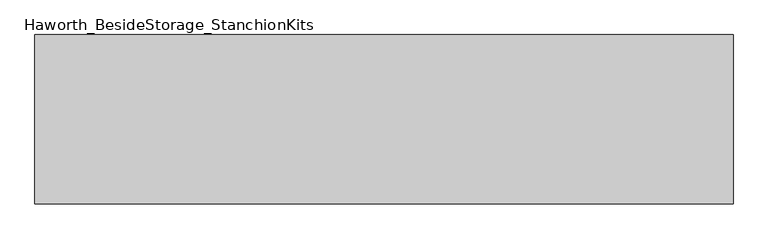
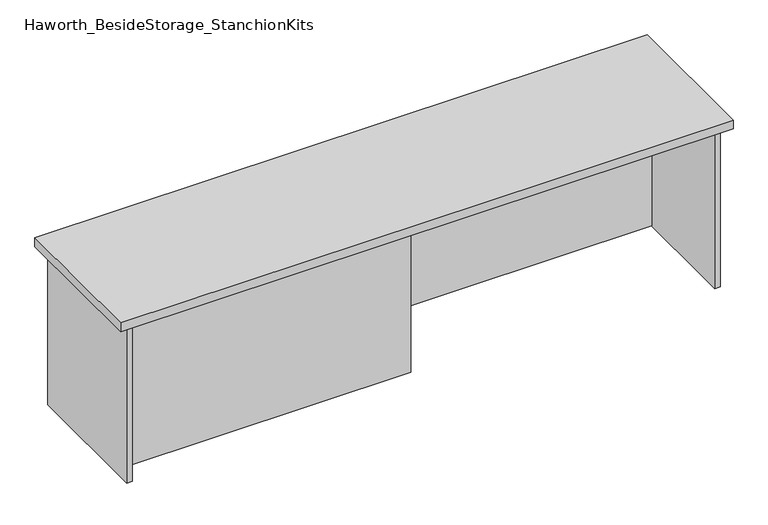
"""IFC4 building model written with IfcOpenShell, lengths in millimetres: furniture geometry, Haworth_BesideStorage_StanchionKits."""

from ifc_helpers import new_model, si_unit, frame, origin, place, context, project, spatial, polyline, outline, extrude, source, transform, mapped, element, save


def haworth_besidestorage_stanchionkits_c902f7cd(model_context):
    return source(origin(), model_context, "Body", "SweptSolid", [
        extrude(outline(polyline([(1000.125, 0.0), (1000.125, -406.4), (-676.275, -406.4), (-676.275, 0.0), (1000.125, 0.0)])), frame((0.0, 0.0, 889.0), z_axis=(0.0, 0.0, 1.0), x_axis=(1.0, 0.0, 0.0)), (0.0, 0.0, 1.0), 25.4),
        extrude(outline(polyline([(161.925, -76.2), (958.85, -76.2), (958.85, -92.075), (161.925, -92.075), (161.925, -76.2)])), frame((0.0, 0.0, 431.8), z_axis=(0.0, 0.0, 1.0), x_axis=(1.0, 0.0, 0.0)), (0.0, 0.0, 1.0), 457.2),
        extrude(outline(polyline([(161.925, -314.325), (161.925, -330.2), (-635.0, -330.2), (-635.0, -314.325), (161.925, -314.325)])), frame((0.0, 0.0, 431.8), z_axis=(0.0, 0.0, 1.0), x_axis=(1.0, 0.0, 0.0)), (0.0, 0.0, 1.0), 457.2),
        extrude(outline(polyline([(974.725, -390.525), (958.85, -390.525), (958.85, -15.875), (974.725, -15.875), (974.725, -390.525)])), frame((0.0, 0.0, 431.8), z_axis=(0.0, 0.0, 1.0), x_axis=(1.0, 0.0, 0.0)), (0.0, 0.0, 1.0), 457.2),
        extrude(outline(polyline([(-635.0, -390.525), (-650.875, -390.525), (-650.875, -15.875), (-635.0, -15.875), (-635.0, -390.525)])), frame((0.0, 0.0, 431.8), z_axis=(0.0, 0.0, 1.0), x_axis=(1.0, 0.0, 0.0)), (0.0, 0.0, 1.0), 457.2),
    ])


if __name__ == "__main__":
    model = new_model("IFC4")
    model_context = context("Model", 3, world=origin())
    ifc_project = project(units=[si_unit("LENGTHUNIT", "METRE", prefix="MILLI")], contexts=[model_context])
    site = spatial("IfcSite", under=ifc_project)
    building = spatial("IfcBuilding", under=site)
    placement = place(None, origin())
    haworth_besidestorage_stanchionkits_shape = haworth_besidestorage_stanchionkits_c902f7cd(model_context)
    element("IfcFurniture", 1, ObjectType="Haworth_BesideStorage_StanchionKits", at=placement, inside=building, context=model_context, shape_type="MappedRepresentation", body=[
        mapped(haworth_besidestorage_stanchionkits_shape, transform((0.0, 0.0, 0.0), x_axis=(1.0, 0.0, 0.0), y_axis=(0.0, 1.0, 0.0), z_axis=(0.0, 0.0, 1.0))),
    ])
    save(model, "model.ifc")
